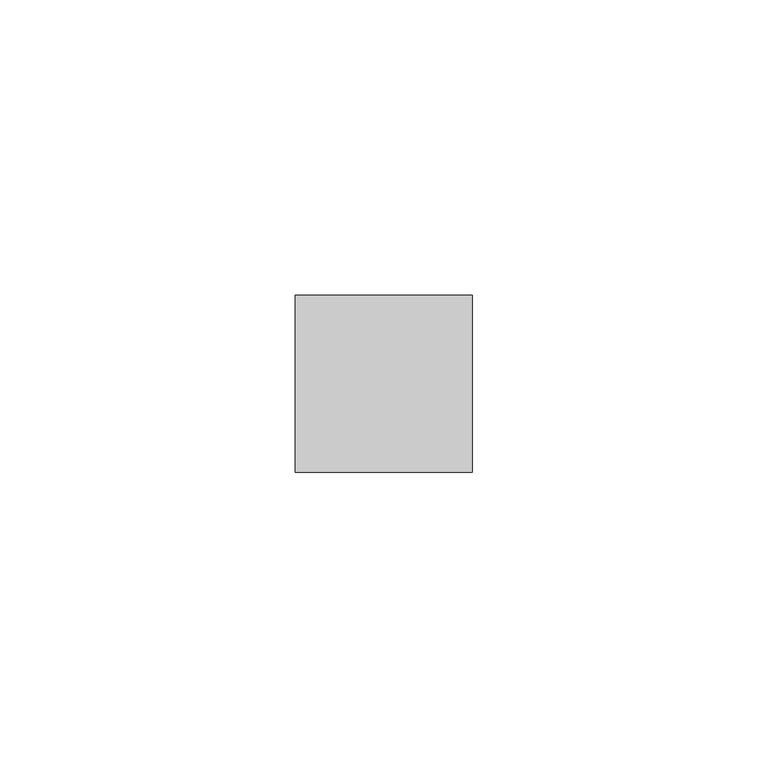
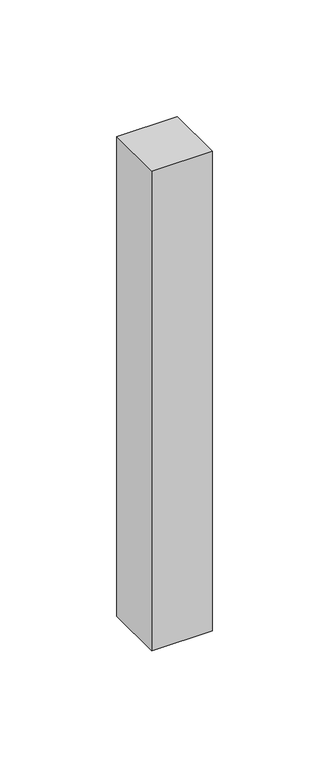
"""IFC4 building model written with IfcOpenShell, lengths in millimetres: member geometry."""

from ifc_helpers import new_model, si_unit, frame, origin, place, context, project, spatial, polyline, outline, extrude, source, transform, mapped, element, save


def member_3855207f(model_context):
    return source(origin(), model_context, "Body", "SweptSolid", [
        extrude(outline(polyline([(15.0, 15.0), (15.0, -15.0), (-15.0, -15.0), (-15.0, 15.0), (15.0, 15.0)])), frame((0.0, 0.0, -251.4130435), z_axis=(0.0, 0.0, 1.0), x_axis=(1.0, 0.0, 0.0)), (0.0, 0.0, 1.0), 251.4130435),
    ])


if __name__ == "__main__":
    model = new_model("IFC4")
    model_context = context("Model", 3, world=origin())
    ifc_project = project(units=[si_unit("LENGTHUNIT", "METRE", prefix="MILLI")], contexts=[model_context])
    site = spatial("IfcSite", under=ifc_project)
    building = spatial("IfcBuilding", under=site)
    placement = place(None, origin())
    member_shape = member_3855207f(model_context)
    element("IfcMember", 1, at=placement, inside=building, context=model_context, shape_type="MappedRepresentation", body=[
        mapped(member_shape, transform((0.0, 0.0, 0.0), x_axis=(1.0, 0.0, 0.0), y_axis=(0.0, 1.0, 0.0), z_axis=(0.0, 0.0, 1.0))),
    ])
    save(model, "model.ifc")
